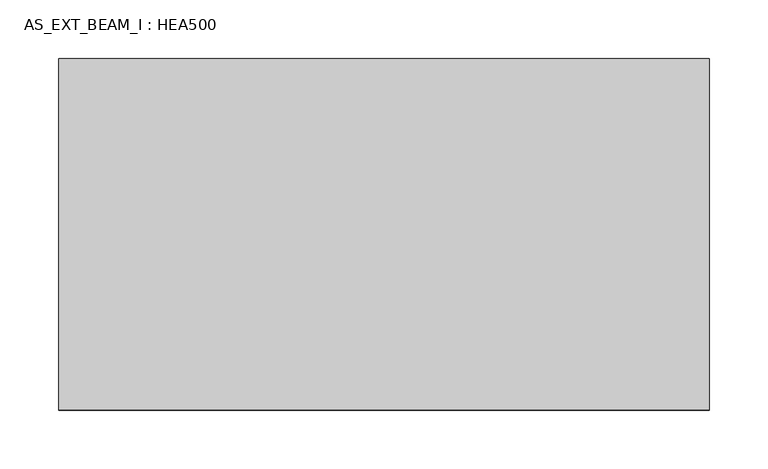
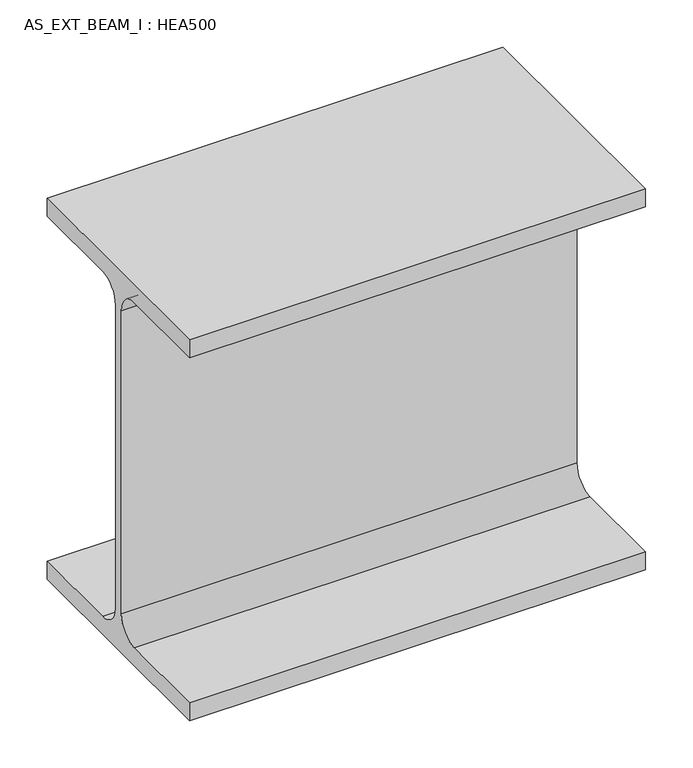
"""IFC4 building model written with IfcOpenShell, lengths in millimetres: beam geometry, AS_EXT_BEAM_I : HEA500."""

import ifcopenshell
import ifcopenshell.guid

model = None  # the IFC model being written
_history = None  # IfcOwnerHistory: only IFC2X3 demands one
_inside = {}  # id of a spatial element -> (the spatial element, [elements in it])
_under = {}  # id of a project, library or spatial element -> (it, [spatial elements below it])
_declared = {}  # id of a project -> (the project, [libraries it declares])
_typed = {}  # id of a type object -> (the type object, [elements of that type])
_made_of = {}  # id of a material, layer set ... -> (it, [elements and type objects made of it])


def new_model(schema):
    """Start an empty IFC model of exactly this schema.

    Asked for "IFC4X3", IfcOpenShell would pick the latest addendum, in which some entities
    have other attributes; the version numbers below select the first issue.
    IFC2X3 requires an IfcOwnerHistory on every rooted entity: one is made here for all.
    """
    global model, _history
    if schema == "IFC4X3":
        model = ifcopenshell.file(schema_version=(4, 3, 0, 0))
    else:
        model = ifcopenshell.file(schema=schema)
    _inside.clear()
    _under.clear()
    _declared.clear()
    _typed.clear()
    _made_of.clear()
    _history = None
    if model.schema == "IFC2X3":
        org = make("IfcOrganization", Name="unknown")
        user = make(
            "IfcPersonAndOrganization",
            ThePerson=make("IfcPerson", FamilyName="unknown"),
            TheOrganization=org,
        )
        app = make(
            "IfcApplication",
            ApplicationDeveloper=org,
            Version="unknown",
            ApplicationFullName="unknown",
            ApplicationIdentifier="unknown",
        )
        _history = make(
            "IfcOwnerHistory",
            OwningUser=user,
            OwningApplication=app,
            ChangeAction="ADDED",
            CreationDate=0,
        )
    return model


def make(cls, **values):
    """One entity of the class cls with the attributes given. An attribute that is None is left unset."""
    return model.create_entity(
        cls, **{name: value for name, value in values.items() if value is not None}
    )


def rooted(cls, **values):
    """An entity with a GlobalId (a new one), such as an element, a storey or a relation."""
    return make(cls, GlobalId=ifcopenshell.guid.new(), OwnerHistory=_history, **values)


def si_unit(unit_type, name, prefix=None):
    """IfcSIUnit, for example si_unit("LENGTHUNIT", "METRE", prefix="MILLI")."""
    return make("IfcSIUnit", UnitType=unit_type, Prefix=prefix, Name=name)


def assignment(units):
    """IfcUnitAssignment: the units of a project."""
    return None if units is None else make("IfcUnitAssignment", Units=units)


def point(xyz):
    """IfcCartesianPoint."""
    return None if xyz is None else make("IfcCartesianPoint", Coordinates=xyz)


def direction(xyz):
    """IfcDirection."""
    return None if xyz is None else make("IfcDirection", DirectionRatios=xyz)


def frame(location, z_axis=None, x_axis=None):
    """IfcAxis2Placement3D, a coordinate frame: its origin and axes. An axis left out is left unset."""
    return make(
        "IfcAxis2Placement3D",
        Location=point(location),
        Axis=direction(z_axis),
        RefDirection=direction(x_axis),
    )


def frame_2d(location, x_axis=None):
    """IfcAxis2Placement2D, a coordinate frame in the plane: its origin and x axis."""
    return make(
        "IfcAxis2Placement2D", Location=point(location), RefDirection=direction(x_axis)
    )


def origin():
    """The frame at (0, 0, 0) with its axes left unset."""
    return frame((0.0, 0.0, 0.0))


def place(relative_to, where):
    """IfcLocalPlacement: puts the frame where relative to a parent placement (None: the world)."""
    return make(
        "IfcLocalPlacement", PlacementRelTo=relative_to, RelativePlacement=where
    )


def context(
    kind, dimensions, precision=None, world=None, true_north=None, identifier=None
):
    """IfcGeometricRepresentationContext, for example the 3D "Model" context."""
    return make(
        "IfcGeometricRepresentationContext",
        ContextIdentifier=identifier,
        ContextType=kind,
        CoordinateSpaceDimension=dimensions,
        Precision=precision,
        WorldCoordinateSystem=world,
        TrueNorth=true_north,
    )


def project(units=None, contexts=None):
    """IfcProject with its units and contexts."""
    return rooted(
        "IfcProject",
        Name="project",
        RepresentationContexts=contexts,
        UnitsInContext=assignment(units),
    )


def spatial(cls, under=None, at=None, **own):
    """A site, building, storey or space (cls), placed at a placement, below another one or the project."""
    s = rooted(cls, ObjectPlacement=at, **own)
    if under is not None:
        _under.setdefault(under.id(), (under, []))[1].append(s)
    return s


def polyline(points):
    """IfcPolyline through the points."""
    return make("IfcPolyline", Points=[point(p) for p in points])


def circle_curve(where, radius):
    """IfcCircle in the frame where."""
    return make("IfcCircle", Position=where, Radius=radius)


def trimmed(basis, trim1, trim2, sense, master):
    """IfcTrimmedCurve: the piece of a basis curve between two trims."""
    return make(
        "IfcTrimmedCurve",
        BasisCurve=basis,
        Trim1=trim1,
        Trim2=trim2,
        SenseAgreement=sense,
        MasterRepresentation=master,
    )


def segment(curve, same_sense, transition):
    """IfcCompositeCurveSegment."""
    return make(
        "IfcCompositeCurveSegment",
        Transition=transition,
        SameSense=same_sense,
        ParentCurve=curve,
    )


def composite_curve(segments, self_intersect=None):
    """IfcCompositeCurve: segments joined end to end."""
    return make("IfcCompositeCurve", Segments=segments, SelfIntersect=self_intersect)


def outline(outer, holes=None, kind="AREA"):
    """IfcArbitraryClosedProfileDef: a profile drawn as a closed curve; with holes, ...WithVoids."""
    if holes is None:
        return make("IfcArbitraryClosedProfileDef", ProfileType=kind, OuterCurve=outer)
    return make(
        "IfcArbitraryProfileDefWithVoids",
        ProfileType=kind,
        OuterCurve=outer,
        InnerCurves=holes,
    )


def extrude(swept, where, along, depth):
    """IfcExtrudedAreaSolid: the profile swept, set in the frame where, extruded along a direction by depth."""
    return make(
        "IfcExtrudedAreaSolid",
        SweptArea=swept,
        Position=where,
        ExtrudedDirection=direction(along),
        Depth=depth,
    )


def shape(context_of_items, identifier, shape_type, items):
    """IfcShapeRepresentation: the items that make up one representation, for example the "Body"."""
    return make(
        "IfcShapeRepresentation",
        ContextOfItems=context_of_items,
        RepresentationIdentifier=identifier,
        RepresentationType=shape_type,
        Items=items,
    )


def source(mapping_origin, context_of_items, identifier, shape_type, items):
    """IfcRepresentationMap: a shape defined once, which mapped items show again and again."""
    return make(
        "IfcRepresentationMap",
        MappingOrigin=mapping_origin,
        MappedRepresentation=shape(context_of_items, identifier, shape_type, items),
    )


def transform(
    local_origin,
    x_axis=None,
    y_axis=None,
    z_axis=None,
    scale=None,
    scale2=None,
    scale3=None,
    uniform=True,
):
    """IfcCartesianTransformationOperator3D, or its non-uniform kind. x_axis, y_axis, z_axis: its Axis1, 2, 3."""
    if uniform:
        return make(
            "IfcCartesianTransformationOperator3D",
            Axis1=direction(x_axis),
            Axis2=direction(y_axis),
            LocalOrigin=point(local_origin),
            Scale=scale,
            Axis3=direction(z_axis),
        )
    return make(
        "IfcCartesianTransformationOperator3DnonUniform",
        Axis1=direction(x_axis),
        Axis2=direction(y_axis),
        LocalOrigin=point(local_origin),
        Scale=scale,
        Axis3=direction(z_axis),
        Scale2=scale2,
        Scale3=scale3,
    )


def mapped(mapping_source, mapping_target):
    """IfcMappedItem: shows the shape of a source again, moved by a transform."""
    return make(
        "IfcMappedItem", MappingSource=mapping_source, MappingTarget=mapping_target
    )


def made_of(thing, what):
    """Note that an element or type object is made of a material, layer set ...; save() writes the relation."""
    if what is not None:
        _made_of.setdefault(what.id(), (what, []))[1].append(thing)
    return thing


def element(
    cls,
    number,
    at=None,
    inside=None,
    cuts=None,
    type_object=None,
    material=None,
    context=None,
    identifier="Body",
    shape_type=None,
    held_by="IfcProductDefinitionShape",
    body=None,
    shapes=None,
    **own,
):
    """One element of the class cls, such as IfcWall. Its Tag is "e" and its number.

    at: its placement. inside: the storey or other place that contains it. cuts: it is an
    opening in that element (IfcRelVoidsElement). A single representation is given by context,
    identifier, shape_type and body (its items); several are given by shapes. held_by: the class
    of the entity that holds the representations. save() writes the other relations.
    """
    e = rooted(cls, Tag="e%d" % number, ObjectPlacement=at, **own)
    if body is not None:
        shapes = [shape(context, identifier, shape_type, body)]
    if shapes is not None:
        e.Representation = make(held_by, Representations=shapes)
    if inside is not None:
        _inside.setdefault(inside.id(), (inside, []))[1].append(e)
    if cuts is not None:
        rooted(
            "IfcRelVoidsElement", RelatingBuildingElement=cuts, RelatedOpeningElement=e
        )
    if type_object is not None:
        _typed.setdefault(type_object.id(), (type_object, []))[1].append(e)
    return made_of(e, material)


def aggregate(whole, parts):
    """IfcRelAggregates: a whole, such as a stair, and the parts it consists of."""
    return rooted("IfcRelAggregates", RelatingObject=whole, RelatedObjects=parts)


def save(model, path):
    """Write the relations noted so far, then the file.

    IfcRelAggregates (storeys below a building ...), IfcRelContainedInSpatialStructure (elements
    in a storey), IfcRelDefinesByType, IfcRelAssociatesMaterial and IfcRelDeclares: one each for
    every whole, place, type object, material and project.
    """
    for whole, parts in _under.values():
        aggregate(whole, parts)
    for where, things in _inside.values():
        rooted(
            "IfcRelContainedInSpatialStructure",
            RelatedElements=things,
            RelatingStructure=where,
        )
    for kind, things in _typed.values():
        rooted("IfcRelDefinesByType", RelatedObjects=things, RelatingType=kind)
    for what, things in _made_of.values():
        rooted("IfcRelAssociatesMaterial", RelatedObjects=things, RelatingMaterial=what)
    for by, libraries in _declared.values():
        rooted("IfcRelDeclares", RelatingContext=by, RelatedDefinitions=libraries)
    model.write(path)


def as_ext_beam_i_hea500_0229a87c(model_context):
    return source(origin(), model_context, "Body", "SweptSolid", [
        extrude(outline(composite_curve([segment(polyline([(150.0, -222.0), (150.0, -245.0), (-150.0, -245.0), (-150.0, -222.0), (-33.0, -222.0)]), True, "CONTINUOUS"), segment(trimmed(circle_curve(frame_2d((-33.0, -195.0)), 27.0), [point((-33.0, -222.0))], [point((-6.0, -195.0))], True, "CARTESIAN"), True, "CONTINUOUS"), segment(polyline([(-6.0, -195.0), (-6.0, 195.0)]), True, "CONTINUOUS"), segment(trimmed(circle_curve(frame_2d((-33.0, 195.0)), 27.0), [point((-6.0, 195.0))], [point((-33.0, 222.0))], True, "CARTESIAN"), True, "CONTINUOUS"), segment(polyline([(-33.0, 222.0), (-150.0, 222.0), (-150.0, 245.0), (150.0, 245.0), (150.0, 222.0), (33.0, 222.0)]), True, "CONTINUOUS"), segment(trimmed(circle_curve(frame_2d((33.0, 195.0)), 27.0), [point((33.0, 222.0))], [point((6.0, 195.0))], True, "CARTESIAN"), True, "CONTINUOUS"), segment(polyline([(6.0, 195.0), (6.0, -195.0)]), True, "CONTINUOUS"), segment(trimmed(circle_curve(frame_2d((33.0, -195.0)), 27.0), [point((6.0, -195.0))], [point((33.0, -222.0))], True, "CARTESIAN"), True, "CONTINUOUS"), segment(polyline([(33.0, -222.0), (150.0, -222.0)]), True, "CONTINUOUS")], self_intersect=False)), frame((-277.45, 0.0, 0.0), z_axis=(1.0, 0.0, 0.0), x_axis=(0.0, 1.0, 0.0)), (0.0, 0.0, 1.0), 554.9),
    ])


if __name__ == "__main__":
    model = new_model("IFC4")
    model_context = context("Model", 3, world=origin())
    ifc_project = project(units=[si_unit("LENGTHUNIT", "METRE", prefix="MILLI")], contexts=[model_context])
    site = spatial("IfcSite", under=ifc_project)
    building = spatial("IfcBuilding", under=site)
    placement = place(None, origin())
    as_ext_beam_i_hea500_shape = as_ext_beam_i_hea500_0229a87c(model_context)
    element("IfcBeam", 1, ObjectType="AS_EXT_BEAM_I : HEA500", at=placement, inside=building, context=model_context, shape_type="MappedRepresentation", body=[
        mapped(as_ext_beam_i_hea500_shape, transform((0.0, 0.0, 0.0), x_axis=(1.0, 0.0, 0.0), y_axis=(0.0, 1.0, 0.0), z_axis=(0.0, 0.0, 1.0))),
    ])
    save(model, "model.ifc")
